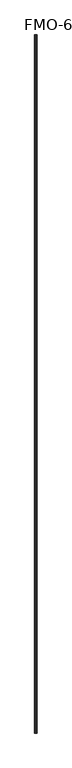
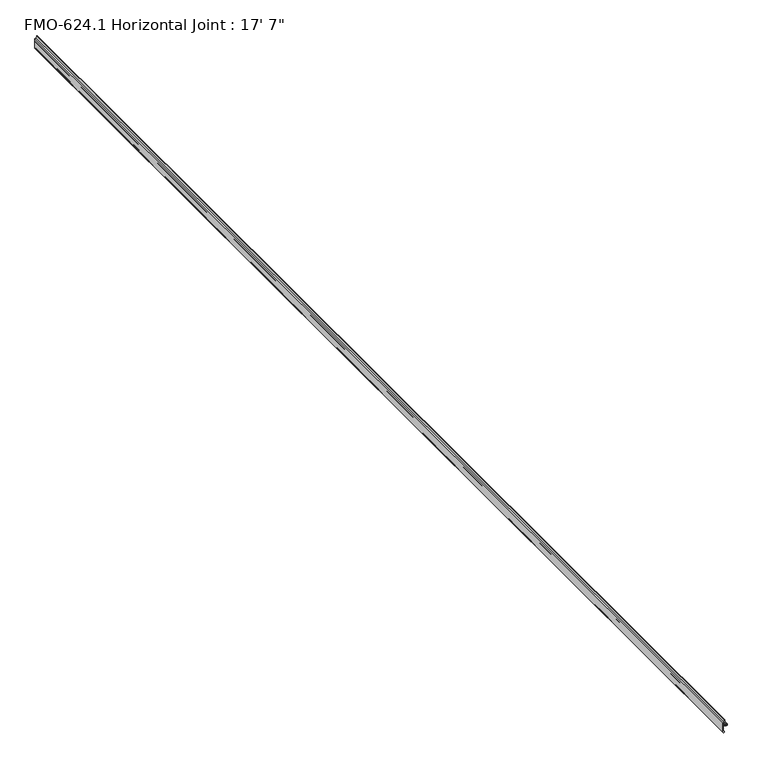
"""IFC4 building model written with IfcOpenShell, lengths in millimetres: proxy geometry."""

from ifc_helpers import new_model, si_unit, frame, origin, place, context, project, spatial, polyline, circle_curve, source, transform, mapped, element, save
from ifc_brep_helpers import plane_surface, cylinder_surface, revolved_surface, advanced_brep


def proxy_167c5157(model_context):
    return source(origin(), model_context, "Body", "AdvancedBrep", [
        advanced_brep(
        [(43.8864961, 5244.1043793, 85.2309929), (45.6972862, 5244.1043793, 95.8071113), (48.0188665, 5244.1043793, 95.7408382), (48.0188665, 5244.1043793, 83.6561486), (41.3513016, 5244.1043793, 83.6561486), (40.0813235, 5244.1043793, 82.3804568), (40.0813235, 5244.1043793, 78.7644603), (39.6628931, 5244.1043793, 78.0397176), (39.6628931, 5244.1043793, 77.1283622), (40.0813391, 5244.1043793, 76.4035924), (40.0813391, 5244.1043793, 73.5408238), (40.0813391, 5244.1043793, 71.7729498), (41.9865077, 5244.1043793, 69.8679498), (45.7944714, 5244.1043793, 69.8644506), (47.3838391, 5244.1043793, 71.8962402), (50.5715391, 5244.1043793, 71.8962402), (53.7211391, 5244.1043793, 71.8962402), (57.5438391, 5244.1043793, 71.8962402), (57.5438391, 5244.1043793, 70.3214402), (56.5836387, 5244.1043793, 70.5967732), (55.6418383, 5244.1043793, 70.3267163), (54.8706628, 5244.1043793, 70.5772864), (54.122071, 5244.1043793, 70.3340542), (53.3656016, 5244.1043793, 70.579846), (52.6041542, 5244.1043793, 70.3324367), (51.8492918, 5244.1043793, 70.5777064), (51.0644896, 5244.1043793, 70.3227087), (50.0508391, 5244.1043793, 70.5754402), (50.0508391, 5244.1043793, 67.5274405), (51.0644896, 5244.1043793, 67.7801719), (51.8492918, 5244.1043793, 67.5251742), (52.6041542, 5244.1043793, 67.7704439), (53.3656016, 5244.1043793, 67.5230347), (54.122071, 5244.1043793, 67.7688265), (54.8706628, 5244.1043793, 67.5255943), (55.6418383, 5244.1043793, 67.7761644), (56.5836387, 5244.1043793, 67.5061074), (57.5438391, 5244.1043793, 67.7814405), (57.5438391, 5244.1043793, 66.2066402), (53.7211391, 5244.1043793, 66.2066402), (50.5715391, 5244.1043793, 66.2066402), (47.3838391, 5244.1043793, 66.2066402), (45.6909777, 5244.1043793, 68.2349308), (41.9863391, 5244.1043793, 68.2349308), (40.0813391, 5244.1043793, 66.3299308), (40.0813391, 5244.1043793, 55.3158626), (39.5721753, 5244.1043793, 54.7090648), (39.5721753, 5244.1043793, 52.7476605), (40.0813391, 5244.1043793, 52.1408626), (40.0813391, 5244.1043793, 40.9532506), (41.2663611, 5244.1043793, 40.7928411), (41.3889013, 5244.1043793, 41.5665297), (41.8602357, 5244.1043793, 42.1592975), (43.9037704, 5244.1043793, 41.510087), (45.5976091, 5244.1043793, 37.0130104), (43.9037704, 5244.1043793, 35.6909337), (42.2042526, 5244.1043793, 35.1604948), (41.3889013, 5244.1043793, 35.7314099), (41.3889013, 5244.1043793, 37.0797506), (39.8014013, 5244.1043793, 38.6672506), (38.4938391, 5244.1043793, 38.6672506), (38.4938391, 5244.1043793, 85.2309929), (43.8864961, -113.7081207, 85.2309929), (38.4938391, -113.7081207, 85.2309929), (38.4938391, -113.7081207, 38.6672506), (39.8014013, -113.7081207, 38.6672506), (41.3889013, -113.7081207, 37.0797506), (41.3889013, -113.7081207, 35.7314099), (42.2042526, -113.7081207, 35.1604948), (43.9037704, -113.7081207, 35.6909337), (45.5976091, -113.7081207, 37.0130104), (43.9037704, -113.7081207, 41.510087), (41.8602357, -113.7081207, 42.1592975), (41.3889013, -113.7081207, 41.5665297), (41.2663611, -113.7081207, 40.7928411), (40.0813391, -113.7081207, 40.9532506), (40.0813391, -113.7081207, 52.1408626), (39.5721753, -113.7081207, 52.7476605), (39.5721753, -113.7081207, 54.7090648), (40.0813391, -113.7081207, 55.3158626), (40.0813391, -113.7081207, 66.3299308), (41.9863391, -113.7081207, 68.2349308), (45.6909777, -113.7081207, 68.2349308), (47.3838391, -113.7081207, 66.2066402), (50.5715391, -113.7081207, 66.2066402), (53.7211391, -113.7081207, 66.2066402), (57.5438391, -113.7081207, 66.2066402), (57.5438391, -113.7081207, 67.7814405), (56.5836387, -113.7081207, 67.5061074), (55.6418383, -113.7081207, 67.7761644), (54.8706628, -113.7081207, 67.5255943), (54.122071, -113.7081207, 67.7688265), (53.3656016, -113.7081207, 67.5230347), (52.6041542, -113.7081207, 67.7704439), (51.8492918, -113.7081207, 67.5251742), (51.0644896, -113.7081207, 67.7801719), (50.0508391, -113.7081207, 67.5274405), (50.0508391, -113.7081207, 70.5754402), (51.0644896, -113.7081207, 70.3227087), (51.8492918, -113.7081207, 70.5777064), (52.6041542, -113.7081207, 70.3324367), (53.3656016, -113.7081207, 70.579846), (54.122071, -113.7081207, 70.3340542), (54.8706628, -113.7081207, 70.5772864), (55.6418383, -113.7081207, 70.3267163), (56.5836387, -113.7081207, 70.5967732), (57.5438391, -113.7081207, 70.3214402), (57.5438391, -113.7081207, 71.8962402), (53.7211391, -113.7081207, 71.8962402), (50.5715391, -113.7081207, 71.8962402), (47.3838391, -113.7081207, 71.8962402), (45.7944714, -113.7081207, 69.8644506), (41.9865077, -113.7081207, 69.8644506), (40.0813391, -113.7081207, 71.7729498), (40.0813391, -113.7081207, 73.5408238), (40.0813391, -113.7081207, 76.4035924), (39.6628931, -113.7081207, 77.1283622), (39.6628931, -113.7081207, 78.0397176), (40.0813235, -113.7081207, 78.7644603), (40.0813235, -113.7081207, 82.3804568), (41.3513016, -113.7081207, 83.6561486), (48.0188665, -113.7081207, 83.6561486), (48.0188665, -113.7081207, 95.7408382), (45.6972862, -113.7081207, 95.8071113)],
        [
            (0, 1),
            (1, 2, circle_curve(frame((46.825999, 5244.1043793, 94.6502894), z_axis=(0.0, 1.0, 0.0), x_axis=(0.7379213747925654, 0.0, 0.6748866902112164)), 1.6162393)),
            (2, 3),
            (3, 4),
            (4, 5, circle_curve(frame((41.3513016, 5244.1043793, 82.3861577), z_axis=(0.0, -1.0, 0.0), x_axis=(-0.9999999999481374, 0.0, -1.018456077345067e-05)), 1.2699909)),
            (5, 6),
            (6, 7),
            (7, 8),
            (8, 9),
            (9, 10),
            (10, 11),
            (11, 12, circle_curve(frame((41.9863391, 5244.1043793, 71.7729498), z_axis=(0.0, -1.0, 0.0), x_axis=(8.850701346389434e-05, 0.0, -0.9999999960832544)), 1.905)),
            (12, 13),
            (13, 14, circle_curve(frame((45.7944714, 5244.1043793, 71.501987), z_axis=(0.0, -1.0, 0.0), x_axis=(1.0, 0.0, 0.0)), 1.6375364)),
            (14, 15),
            (15, 16, circle_curve(frame((52.1463391, 5244.1043793, 71.8962402), z_axis=(0.0, 1.0, 0.0), x_axis=(1.0, 0.0, 0.0)), 1.5748)),
            (16, 17),
            (17, 18),
            (18, 19),
            (19, 20),
            (20, 21),
            (21, 22),
            (22, 23),
            (23, 24),
            (24, 25),
            (25, 26),
            (26, 27),
            (27, 28),
            (28, 29),
            (29, 30),
            (30, 31),
            (31, 32),
            (32, 33),
            (33, 34),
            (34, 35),
            (35, 36),
            (36, 37),
            (37, 38),
            (38, 39),
            (39, 40, circle_curve(frame((52.1463391, 5244.1043793, 66.2066402), z_axis=(0.0, 1.0, 0.0), x_axis=(-1.0, 0.0, 0.0)), 1.5748)),
            (40, 41),
            (41, 42, circle_curve(frame((45.6909777, 5244.1043793, 66.5143335), z_axis=(0.0, -1.0, 0.0), x_axis=(1.0, 0.0, 0.0)), 1.7205973)),
            (42, 43),
            (43, 44, circle_curve(frame((41.9863391, 5244.1043793, 66.3299308), z_axis=(0.0, -1.0, 0.0), x_axis=(-0.9999999801293349, 0.0, -0.00019935227558193571)), 1.905)),
            (44, 45),
            (45, 46),
            (46, 47),
            (47, 48),
            (48, 49),
            (49, 50, circle_curve(frame((40.7002242, 5244.1043793, 41.0678843), z_axis=(0.0, -1.0, 0.0), x_axis=(1.0, 0.0, 0.0)), 0.6294122)),
            (50, 51),
            (51, 52, circle_curve(frame((41.7375399, 5244.1043793, 41.7730853), z_axis=(0.0, 1.0, 0.0), x_axis=(1.0, 0.0, 0.0)), 0.4052334)),
            (52, 53),
            (53, 54, circle_curve(frame((42.9956583, 5244.1043793, 38.6005104), z_axis=(0.0, 1.0, 0.0), x_axis=(0.8536583853572723, 0.0, -0.520833333331513)), 3.048)),
            (54, 55, circle_curve(frame((42.9956583, 5244.1043793, 38.6005104), z_axis=(0.0, 1.0, 0.0), x_axis=(0.29793703930812127, 0.0, -0.9545855229408788)), 3.048)),
            (55, 56),
            (56, 57, circle_curve(frame((41.8161459, 5244.1043793, 35.4738997), z_axis=(0.0, 1.0, 0.0), x_axis=(1.0, 0.0, 0.0)), 0.4988481)),
            (57, 58),
            (58, 59, circle_curve(frame((39.8014013, 5244.1043793, 37.0797506), z_axis=(0.0, -1.0, 0.0), x_axis=(0.0, 0.0, 1.0)), 1.5875)),
            (59, 60),
            (60, 61),
            (61, 0),
            (62, 63),
            (63, 64),
            (64, 65),
            (65, 66, circle_curve(frame((39.8014013, -113.7081207, 37.0797506), z_axis=(0.0, 1.0, 0.0), x_axis=(0.0, 0.0, 1.0)), 1.5875)),
            (66, 67),
            (67, 68, circle_curve(frame((41.8161459, -113.7081207, 35.4738997), z_axis=(0.0, -1.0, 0.0), x_axis=(1.0, 0.0, 0.0)), 0.4988481)),
            (68, 69),
            (69, 70, circle_curve(frame((42.9956583, -113.7081207, 38.6005104), z_axis=(0.0, -1.0, 0.0), x_axis=(0.29793703930812127, 0.0, -0.9545855229408788)), 3.048)),
            (70, 71, circle_curve(frame((42.9956583, -113.7081207, 38.6005104), z_axis=(0.0, -1.0, 0.0), x_axis=(0.8536583853572723, 0.0, -0.520833333331513)), 3.048)),
            (71, 72),
            (72, 73, circle_curve(frame((41.7375399, -113.7081207, 41.7730853), z_axis=(0.0, -1.0, 0.0), x_axis=(1.0, 0.0, 0.0)), 0.4052334)),
            (73, 74),
            (74, 75, circle_curve(frame((40.7002242, -113.7081207, 41.0678843), z_axis=(0.0, 1.0, 0.0), x_axis=(1.0, 0.0, 0.0)), 0.6294122)),
            (75, 76),
            (76, 77),
            (77, 78),
            (78, 79),
            (79, 80),
            (80, 81, circle_curve(frame((41.9863391, -113.7081207, 66.3299308), z_axis=(0.0, 1.0, 0.0), x_axis=(-0.9999999801293349, 0.0, -0.00019935227558193571)), 1.905)),
            (81, 82),
            (82, 83, circle_curve(frame((45.6909777, -113.7081207, 66.5143335), z_axis=(0.0, 1.0, 0.0), x_axis=(1.0, 0.0, 0.0)), 1.7205973)),
            (83, 84),
            (84, 85, circle_curve(frame((52.1463391, -113.7081207, 66.2066402), z_axis=(0.0, -1.0, 0.0), x_axis=(-1.0, 0.0, 0.0)), 1.5748)),
            (85, 86),
            (86, 87),
            (87, 88),
            (88, 89),
            (89, 90),
            (90, 91),
            (91, 92),
            (92, 93),
            (93, 94),
            (94, 95),
            (95, 96),
            (96, 97),
            (97, 98),
            (98, 99),
            (99, 100),
            (100, 101),
            (101, 102),
            (102, 103),
            (103, 104),
            (104, 105),
            (105, 106),
            (106, 107),
            (107, 108),
            (108, 109, circle_curve(frame((52.1463391, -113.7081207, 71.8962402), z_axis=(0.0, -1.0, 0.0), x_axis=(1.0, 0.0, 0.0)), 1.5748)),
            (109, 110),
            (110, 111, circle_curve(frame((45.7944714, -113.7081207, 71.501987), z_axis=(0.0, 1.0, 0.0), x_axis=(1.0, 0.0, 0.0)), 1.6375364)),
            (111, 112),
            (112, 113, circle_curve(frame((41.9863391, -113.7081207, 71.7729498), z_axis=(0.0, 1.0, 0.0), x_axis=(8.850701346389434e-05, 0.0, -0.9999999960832544)), 1.905)),
            (113, 114),
            (114, 115),
            (115, 116),
            (116, 117),
            (117, 118),
            (118, 119),
            (119, 120, circle_curve(frame((41.3513016, -113.7081207, 82.3861577), z_axis=(0.0, 1.0, 0.0), x_axis=(-0.9999999999481374, 0.0, -1.018456077345067e-05)), 1.2699909)),
            (120, 121),
            (121, 122),
            (122, 123, circle_curve(frame((46.825999, -113.7081207, 94.6502894), z_axis=(0.0, -1.0, 0.0), x_axis=(0.7379213747925654, 0.0, 0.6748866902112164)), 1.6162393)),
            (123, 62),
            (61, 63),
            (62, 0),
            (60, 64),
            (59, 65),
            (58, 66),
            (57, 67),
            (56, 68),
            (55, 69),
            (54, 70),
            (53, 71),
            (52, 72),
            (51, 73),
            (50, 74),
            (49, 75),
            (48, 76),
            (47, 77),
            (46, 78),
            (45, 79),
            (44, 80),
            (43, 81),
            (42, 82),
            (41, 83),
            (40, 84),
            (39, 85),
            (38, 86),
            (37, 87),
            (36, 88),
            (35, 89),
            (34, 90),
            (33, 91),
            (32, 92),
            (31, 93),
            (30, 94),
            (29, 95),
            (28, 96),
            (27, 97),
            (26, 98),
            (25, 99),
            (24, 100),
            (23, 101),
            (22, 102),
            (21, 103),
            (20, 104),
            (19, 105),
            (18, 106),
            (17, 107),
            (16, 108),
            (15, 109),
            (14, 110),
            (13, 111),
            (12, 112),
            (11, 113),
            (10, 114),
            (9, 115),
            (8, 116),
            (7, 117),
            (6, 118),
            (5, 119),
            (4, 120),
            (3, 121),
            (2, 122),
            (1, 123),
        ],
        [
            plane_surface(frame((43.8864961, 5244.1043793, 85.2309929), z_axis=(0.0, 1.0, 0.0), x_axis=(-1.0, 0.0, 0.0))),
            plane_surface(frame((43.8864961, -113.7081207, 85.2309929), z_axis=(0.0, -1.0, 0.0), x_axis=(1.0, 0.0, 0.0))),
            plane_surface(frame((43.8864961, 5244.1043793, 85.2309929), z_axis=(0.0, 0.0, 1.0), x_axis=(0.0, -1.0, 0.0))),
            plane_surface(frame((38.4938391, 5244.1043793, 85.2309929), z_axis=(-1.0, 0.0, 0.0), x_axis=(0.0, -1.0, 0.0))),
            plane_surface(frame((38.4938391, 5244.1043793, 38.6672506), z_axis=(0.0, 0.0, -1.0), x_axis=(0.0, -1.0, 0.0))),
            revolved_surface(polyline([(39.8014013, -113.7081207, 38.667250599999996), (39.8014013, 5244.1043793, 38.667250599999996)]), (39.8014013, -113.7081207, 37.0797506), (0.0, -1.0, 0.0)),
            plane_surface(frame((41.3889013, 5244.1043793, 37.0797506), z_axis=(-1.0, 0.0, 0.0), x_axis=(0.0, -1.0, 0.0))),
            cylinder_surface(frame((41.8161459, -113.7081207, 35.4738997), z_axis=(0.0, 1.0, 0.0), x_axis=(1.0, 0.0, 0.0)), 0.4988481),
            plane_surface(frame((42.2042526, 5244.1043793, 35.1604948), z_axis=(0.2979370392425104, 0.0, -0.9545855229613567), x_axis=(0.0, -1.0, 0.0))),
            cylinder_surface(frame((42.9956583, -113.7081207, 38.6005104), z_axis=(0.0, 1.0, 0.0), x_axis=(0.29793703930812127, 0.0, -0.9545855229408788)), 3.048),
            cylinder_surface(frame((42.9956583, -113.7081207, 38.6005104), z_axis=(0.0, 1.0000000000000002, 0.0), x_axis=(0.8536583853572723, 0.0, -0.520833333331513)), 3.048),
            plane_surface(frame((43.9037704, 5244.1043793, 41.510087), z_axis=(0.3027779587853101, 0.0, 0.9530611248360732), x_axis=(0.0, -1.0, 0.0))),
            cylinder_surface(frame((41.7375399, -113.7081207, 41.7730853), z_axis=(0.0, 1.0, 0.0), x_axis=(1.0, 0.0, 0.0)), 0.4052334),
            plane_surface(frame((41.3889013, 5244.1043793, 41.5665297), z_axis=(-0.987688340595137, 0.0, 0.15643446504023545), x_axis=(0.0, -1.0, 0.0))),
            revolved_surface(polyline([(41.3296364, -113.7081207, 41.0678843), (41.3296364, 5244.1043793, 41.0678843)]), (40.7002242, -113.7081207, 41.0678843), (0.0, -1.0, 0.0)),
            plane_surface(frame((40.0813391, 5244.1043793, 40.9532506), z_axis=(1.0, 0.0, 0.0), x_axis=(0.0, -1.0, 0.0))),
            plane_surface(frame((40.0813391, 5244.1043793, 52.1408626), z_axis=(0.766044443118981, 0.0, 0.6427876096865358), x_axis=(0.0, -1.0, 0.0))),
            plane_surface(frame((39.5721753, 5244.1043793, 52.7476605), z_axis=(1.0, 0.0, 0.0), x_axis=(0.0, -1.0, 0.0))),
            plane_surface(frame((39.5721753, 5244.1043793, 54.7090648), z_axis=(0.7660444431189779, 0.0, -0.6427876096865396), x_axis=(0.0, -1.0, 0.0))),
            plane_surface(frame((40.0813391, 5244.1043793, 55.3158626), z_axis=(1.0, 0.0, 0.0), x_axis=(0.0, -1.0, 0.0))),
            revolved_surface(polyline([(40.08133913785362, -113.7081207, 66.32955103391501), (40.08133913785362, 5244.1043793, 66.32955103391501)]), (41.9863391, -113.7081207, 66.3299308), (0.0, -1.0, 0.0)),
            plane_surface(frame((41.9863391, 5244.1043793, 68.2349308), z_axis=(-2.014072683807843e-09, 0.0, -1.0), x_axis=(0.0, -1.0, 0.0))),
            revolved_surface(polyline([(47.411575, -113.7081207, 66.5143335), (47.411575, 5244.1043793, 66.5143335)]), (45.6909777, -113.7081207, 66.5143335), (0.0, -1.0, 0.0)),
            plane_surface(frame((47.3838391, 5244.1043793, 66.2066402), z_axis=(0.0, 0.0, -1.0), x_axis=(0.0, -1.0, 0.0))),
            cylinder_surface(frame((52.1463391, -113.7081207, 66.2066402), z_axis=(0.0, 1.0, 0.0), x_axis=(-1.0, 0.0, 0.0)), 1.5748),
            plane_surface(frame((53.7211391, 5244.1043793, 66.2066402), z_axis=(0.0, 0.0, -1.0), x_axis=(0.0, -1.0, 0.0))),
            plane_surface(frame((57.5438391, 5244.1043793, 66.2066402), z_axis=(1.0, 0.0, 0.0), x_axis=(0.0, -1.0, 0.0))),
            plane_surface(frame((57.5438391, 5244.1043793, 67.7814405), z_axis=(-0.2756373558170055, 0.0, 0.9612616959383171), x_axis=(0.0, -1.0, 0.0))),
            plane_surface(frame((56.5836387, 5244.1043793, 67.5061074), z_axis=(0.27563735581699195, 0.0, 0.961261695938321), x_axis=(0.0, -1.0, 0.0))),
            plane_surface(frame((55.6418383, 5244.1043793, 67.7761644), z_axis=(-0.3090169943749583, 0.0, 0.9510565162951501), x_axis=(0.0, -1.0, 0.0))),
            plane_surface(frame((54.8706628, 5244.1043793, 67.5255943), z_axis=(0.3090169943749459, 0.0, 0.9510565162951541), x_axis=(0.0, -1.0, 0.0))),
            plane_surface(frame((54.122071, 5244.1043793, 67.7688265), z_axis=(-0.3090169943749517, 0.0, 0.9510565162951522), x_axis=(0.0, -1.0, 0.0))),
            plane_surface(frame((53.3656016, 5244.1043793, 67.5230347), z_axis=(0.30901699437493846, 0.0, 0.9510565162951565), x_axis=(0.0, -1.0, 0.0))),
            plane_surface(frame((52.6041542, 5244.1043793, 67.7704439), z_axis=(-0.3090169943749466, 0.0, 0.9510565162951539), x_axis=(0.0, -1.0, 0.0))),
            plane_surface(frame((51.8492918, 5244.1043793, 67.5251742), z_axis=(0.30901699437493146, 0.0, 0.9510565162951587), x_axis=(0.0, -1.0, 0.0))),
            plane_surface(frame((51.0644896, 5244.1043793, 67.7801719), z_axis=(-0.24192189559967506, 0.0, 0.9702957262759947), x_axis=(0.0, -1.0, 0.0))),
            plane_surface(frame((50.0508391, 5244.1043793, 67.5274405), z_axis=(1.0, 0.0, 0.0), x_axis=(0.0, -1.0, 0.0))),
            plane_surface(frame((50.0508391, 5244.1043793, 70.5754402), z_axis=(-0.24192189559967506, 0.0, -0.9702957262759947), x_axis=(0.0, -1.0, 0.0))),
            plane_surface(frame((51.0644896, 5244.1043793, 70.3227087), z_axis=(0.30901699437493146, 0.0, -0.9510565162951587), x_axis=(0.0, -1.0, 0.0))),
            plane_surface(frame((51.8492918, 5244.1043793, 70.5777064), z_axis=(-0.3090169943749563, 0.0, -0.9510565162951508), x_axis=(0.0, -1.0, 0.0))),
            plane_surface(frame((52.6041542, 5244.1043793, 70.3324367), z_axis=(0.3090169943749511, 0.0, -0.9510565162951524), x_axis=(0.0, -1.0, 0.0))),
            plane_surface(frame((53.3656016, 5244.1043793, 70.579846), z_axis=(-0.3090169943749515, 0.0, -0.9510565162951523), x_axis=(0.0, -1.0, 0.0))),
            plane_surface(frame((54.122071, 5244.1043793, 70.3340542), z_axis=(0.3090169943749461, 0.0, -0.9510565162951541), x_axis=(0.0, -1.0, 0.0))),
            plane_surface(frame((54.8706628, 5244.1043793, 70.5772864), z_axis=(-0.3090169943749552, 0.0, -0.9510565162951511), x_axis=(0.0, -1.0, 0.0))),
            plane_surface(frame((55.6418383, 5244.1043793, 70.3267163), z_axis=(0.2756373558169943, 0.0, -0.9612616959383203), x_axis=(0.0, -1.0, 0.0))),
            plane_surface(frame((56.5836387, 5244.1043793, 70.5967732), z_axis=(-0.2756373558170032, 0.0, -0.9612616959383177), x_axis=(0.0, -1.0, 0.0))),
            plane_surface(frame((57.5438391, 5244.1043793, 70.3214402), z_axis=(1.0, 0.0, 0.0), x_axis=(0.0, -1.0, 0.0))),
            plane_surface(frame((57.5438391, 5244.1043793, 71.8962402), z_axis=(0.0, 0.0, 1.0), x_axis=(0.0, -1.0, 0.0))),
            cylinder_surface(frame((52.1463391, -113.7081207, 71.8962402), z_axis=(0.0, 1.0, 0.0), x_axis=(1.0, 0.0, 0.0)), 1.5748),
            plane_surface(frame((50.5715391, 5244.1043793, 71.8962402), z_axis=(0.0, 0.0, 1.0), x_axis=(0.0, -1.0, 0.0))),
            revolved_surface(polyline([(47.4320078, -113.7081207, 71.501987), (47.4320078, 5244.1043793, 71.501987)]), (45.7944714, -113.7081207, 71.501987), (0.0, -1.0, 0.0)),
            plane_surface(frame((45.7944714, 5244.1043793, 69.8644506), z_axis=(0.0, 0.0, 1.0), x_axis=(0.0, -1.0, 0.0))),
            revolved_surface(polyline([(41.98650770586065, -113.7081207, 69.8679498074614), (41.98650770586065, 5244.104379300002, 69.8679498074614)]), (41.9863391, -113.7081207, 71.7729498), (0.0, -1.0000000000000002, 0.0)),
            plane_surface(frame((40.0813391, 5244.1043793, 71.7729498), z_axis=(1.0, 0.0, 0.0), x_axis=(0.0, -1.0, 0.0))),
            plane_surface(frame((40.0813391, 5244.1043793, 73.5408238), z_axis=(1.0, 0.0, 0.0), x_axis=(0.0, -1.0, 0.0))),
            plane_surface(frame((40.0813391, 5244.1043793, 76.4035924), z_axis=(0.8660254037844409, 0.0, 0.4999999999999961), x_axis=(0.0, -1.0, 0.0))),
            plane_surface(frame((39.6628931, 5244.1043793, 77.1283622), z_axis=(1.0, 0.0, 0.0), x_axis=(0.0, -1.0, 0.0))),
            plane_surface(frame((39.6628931, 5244.1043793, 78.0397176), z_axis=(0.8660254037844394, 0.0, -0.49999999999999883), x_axis=(0.0, -1.0, 0.0))),
            plane_surface(frame((40.0813235, 5244.1043793, 78.7644603), z_axis=(1.0, 0.0, 0.0), x_axis=(0.0, -1.0, 0.0))),
            revolved_surface(polyline([(40.08131070006586, -113.7081207, 82.3861447657005), (40.08131070006586, 5244.1043793, 82.3861447657005)]), (41.3513016, -113.7081207, 82.3861577), (0.0, -1.0, 0.0)),
            plane_surface(frame((41.3513016, 5244.1043793, 83.6561486), z_axis=(-9.878985469410798e-12, 0.0, -1.0), x_axis=(0.0, -1.0, 0.0))),
            plane_surface(frame((48.0188665, 5244.1043793, 83.6561486), z_axis=(1.0, 0.0, 0.0), x_axis=(0.0, -1.0, 0.0))),
            cylinder_surface(frame((46.825999, -113.7081207, 94.6502894), z_axis=(0.0, 1.0, 0.0), x_axis=(0.7379213747925654, 0.0, 0.6748866902112164)), 1.6162393),
            plane_surface(frame((45.6972862, 5244.1043793, 95.8071113), z_axis=(-0.9856572913699005, 0.0, 0.16875930780063997), x_axis=(0.0, -1.0, 0.0))),
        ],
        [
            (0, [[1, 2, 3, 4, 5, 6, 7, 8, 9, 10, 11, 12, 13, 14, 15, 16, 17, 18, 19, 20, 21, 22, 23, 24, 25, 26, 27, 28, 29, 30, 31, 32, 33, 34, 35, 36, 37, 38, 39, 40, 41, 42, 43, 44, 45, 46, 47, 48, 49, 50, 51, 52, 53, 54, 55, 56, 57, 58, 59, 60, 61, 62]]),
            (1, [[63, 64, 65, 66, 67, 68, 69, 70, 71, 72, 73, 74, 75, 76, 77, 78, 79, 80, 81, 82, 83, 84, 85, 86, 87, 88, 89, 90, 91, 92, 93, 94, 95, 96, 97, 98, 99, 100, 101, 102, 103, 104, 105, 106, 107, 108, 109, 110, 111, 112, 113, 114, 115, 116, 117, 118, 119, 120, 121, 122, 123, 124]]),
            (2, [[125, -63, 126, -62]]),
            (3, [[127, -64, -125, -61]]),
            (4, [[128, -65, -127, -60]]),
            (5, [[129, -66, -128, -59]]),
            (6, [[130, -67, -129, -58]]),
            (7, [[131, -68, -130, -57]]),
            (8, [[132, -69, -131, -56]]),
            (9, [[133, -70, -132, -55]]),
            (10, [[134, -71, -133, -54]]),
            (11, [[135, -72, -134, -53]]),
            (12, [[136, -73, -135, -52]]),
            (13, [[137, -74, -136, -51]]),
            (14, [[138, -75, -137, -50]]),
            (15, [[139, -76, -138, -49]]),
            (16, [[140, -77, -139, -48]]),
            (17, [[141, -78, -140, -47]]),
            (18, [[142, -79, -141, -46]]),
            (19, [[143, -80, -142, -45]]),
            (20, [[144, -81, -143, -44]]),
            (21, [[145, -82, -144, -43]]),
            (22, [[146, -83, -145, -42]]),
            (23, [[147, -84, -146, -41]]),
            (24, [[148, -85, -147, -40]]),
            (25, [[149, -86, -148, -39]]),
            (26, [[150, -87, -149, -38]]),
            (27, [[151, -88, -150, -37]]),
            (28, [[152, -89, -151, -36]]),
            (29, [[153, -90, -152, -35]]),
            (30, [[154, -91, -153, -34]]),
            (31, [[155, -92, -154, -33]]),
            (32, [[156, -93, -155, -32]]),
            (33, [[157, -94, -156, -31]]),
            (34, [[158, -95, -157, -30]]),
            (35, [[159, -96, -158, -29]]),
            (36, [[160, -97, -159, -28]]),
            (37, [[161, -98, -160, -27]]),
            (38, [[162, -99, -161, -26]]),
            (39, [[163, -100, -162, -25]]),
            (40, [[164, -101, -163, -24]]),
            (41, [[165, -102, -164, -23]]),
            (42, [[166, -103, -165, -22]]),
            (43, [[167, -104, -166, -21]]),
            (44, [[168, -105, -167, -20]]),
            (45, [[169, -106, -168, -19]]),
            (46, [[170, -107, -169, -18]]),
            (47, [[171, -108, -170, -17]]),
            (48, [[172, -109, -171, -16]]),
            (49, [[173, -110, -172, -15]]),
            (50, [[174, -111, -173, -14]]),
            (51, [[175, -112, -174, -13]]),
            (52, [[176, -113, -175, -12]]),
            (53, [[177, -114, -176, -11]]),
            (54, [[178, -115, -177, -10]]),
            (55, [[179, -116, -178, -9]]),
            (56, [[180, -117, -179, -8]]),
            (57, [[181, -118, -180, -7]]),
            (58, [[182, -119, -181, -6]]),
            (59, [[183, -120, -182, -5]]),
            (60, [[184, -121, -183, -4]]),
            (61, [[185, -122, -184, -3]]),
            (62, [[186, -123, -185, -2]]),
            (63, [[-126, -124, -186, -1]]),
        ],
    ),
    ])


if __name__ == "__main__":
    model = new_model("IFC4")
    model_context = context("Model", 3, world=origin())
    ifc_project = project(units=[si_unit("LENGTHUNIT", "METRE", prefix="MILLI")], contexts=[model_context])
    site = spatial("IfcSite", under=ifc_project)
    building = spatial("IfcBuilding", under=site)
    placement = place(None, origin())
    proxy_shape = proxy_167c5157(model_context)
    element("IfcBuildingElementProxy", 1, Name="FMO-624.1 Horizontal Joint : 17' 7\"", ObjectType="FMO-624.1 Horizontal Joint : 17' 7\"", at=placement, inside=building, context=model_context, shape_type="MappedRepresentation", body=[
        mapped(proxy_shape, transform((0.0, 0.0, 0.0), x_axis=(1.0, 0.0, 0.0), y_axis=(0.0, 1.0, 0.0), z_axis=(0.0, 0.0, 1.0))),
    ])
    save(model, "model.ifc")
